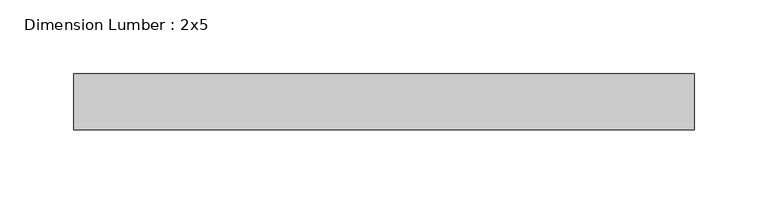
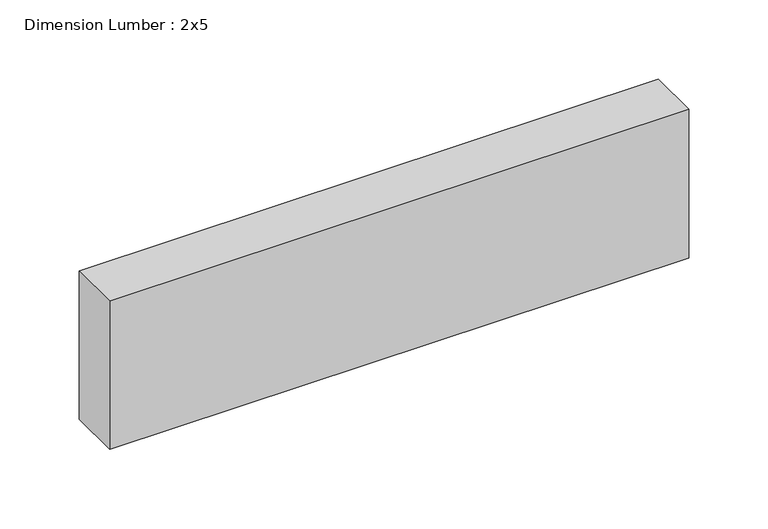
"""IFC4 building model written with IfcOpenShell, lengths in millimetres: beam geometry, Dimension Lumber : 2x5."""

from ifc_helpers import new_model, si_unit, frame, origin, place, context, project, spatial, polyline, outline, extrude, source, transform, mapped, element, save


def dimension_lumber_2x5_7bf44006(model_context):
    return source(origin(), model_context, "Body", "SweptSolid", [
        extrude(outline(polyline([(210.603096, 19.05), (210.603096, -19.05), (-210.603096, -19.05), (-210.603096, 19.05), (210.603096, 19.05)])), frame((0.0, 0.0, -57.15), z_axis=(0.0, 0.0, 1.0), x_axis=(1.0, 0.0, 0.0)), (0.0, 0.0, 1.0), 114.3),
    ])


if __name__ == "__main__":
    model = new_model("IFC4")
    model_context = context("Model", 3, world=origin())
    ifc_project = project(units=[si_unit("LENGTHUNIT", "METRE", prefix="MILLI")], contexts=[model_context])
    site = spatial("IfcSite", under=ifc_project)
    building = spatial("IfcBuilding", under=site)
    placement = place(None, origin())
    dimension_lumber_2x5_shape = dimension_lumber_2x5_7bf44006(model_context)
    element("IfcBeam", 1, ObjectType="Dimension Lumber : 2x5", at=placement, inside=building, context=model_context, shape_type="MappedRepresentation", body=[
        mapped(dimension_lumber_2x5_shape, transform((0.0, 0.0, 0.0), x_axis=(1.0, 0.0, 0.0), y_axis=(0.0, 1.0, 0.0), z_axis=(0.0, 0.0, 1.0))),
    ])
    save(model, "model.ifc")
